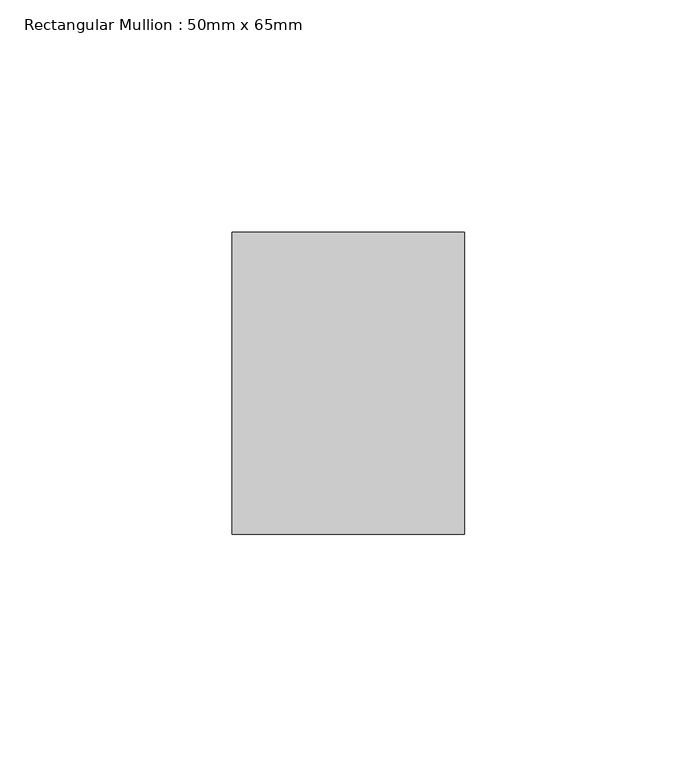
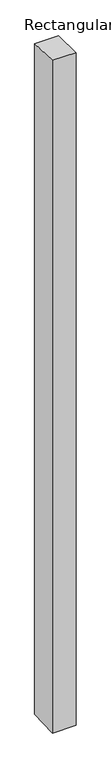
"""IFC4 building model written with IfcOpenShell, lengths in millimetres: member geometry, Rectangular Mullion : 50mm x 65mm."""

from ifc_helpers import new_model, si_unit, origin, place, context, project, spatial, faceted_brep, source, transform, mapped, element, save


def rectangular_mullion_50mm_x_65mm_49a1905d(model_context):
    return source(origin(), model_context, "Body", "Brep", [
        faceted_brep([(-25.0, 32.5, -0.8979677), (25.0, 32.5, -0.8979589), (25.0, 32.5, -1498.8582744), (-25.0, 32.5, -1498.8582632), (-25.0, -32.5, 0.8979589), (-25.0, -32.5, -1501.1421635), (25.0, -32.5, 0.8979677), (25.0, -32.5, -1501.1421747)], [[[0, 1, 2, 3]], [[4, 0, 3, 5]], [[6, 4, 5, 7]], [[1, 6, 7, 2]], [[1, 0, 4, 6]], [[2, 7, 5, 3]]]),
    ])


if __name__ == "__main__":
    model = new_model("IFC4")
    model_context = context("Model", 3, world=origin())
    ifc_project = project(units=[si_unit("LENGTHUNIT", "METRE", prefix="MILLI")], contexts=[model_context])
    site = spatial("IfcSite", under=ifc_project)
    building = spatial("IfcBuilding", under=site)
    placement = place(None, origin())
    rectangular_mullion_50mm_x_65mm_shape = rectangular_mullion_50mm_x_65mm_49a1905d(model_context)
    element("IfcMember", 1, ObjectType="Rectangular Mullion : 50mm x 65mm", at=placement, inside=building, context=model_context, shape_type="MappedRepresentation", body=[
        mapped(rectangular_mullion_50mm_x_65mm_shape, transform((0.0, 0.0, 0.0), x_axis=(1.0, 0.0, 0.0), y_axis=(0.0, 1.0, 0.0), z_axis=(0.0, 0.0, 1.0))),
    ])
    save(model, "model.ifc")
